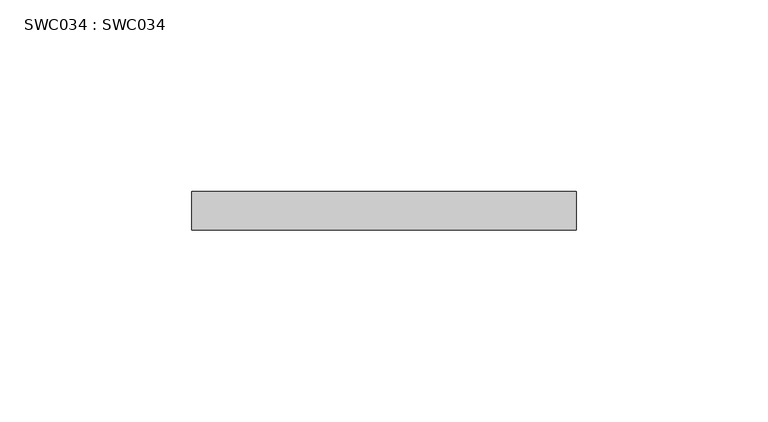
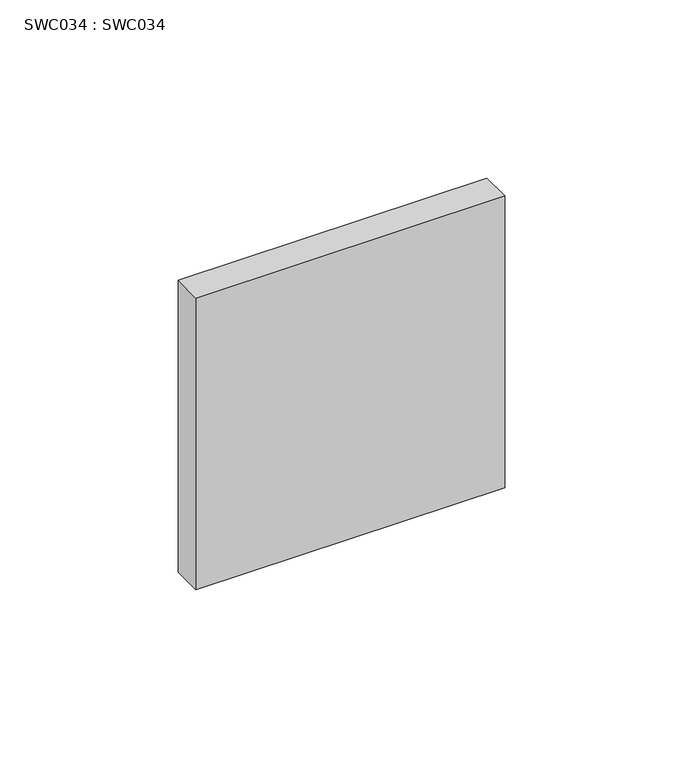
"""IFC4 building model written with IfcOpenShell, lengths in millimetres: proxy geometry, SWC034 : SWC034."""

from ifc_helpers import new_model, si_unit, frame, origin, place, context, project, spatial, polyline, outline, extrude, source, transform, mapped, element, save


def swc034_swc034_83118c9f(model_context):
    return source(origin(), model_context, "Body", "SweptSolid", [
        extrude(outline(polyline([(50.0, 0.0), (50.0, -10.0), (-50.0000004, -10.0), (-50.0000004, 0.0), (50.0, 0.0)])), frame((0.0, 0.0, -50.0000004), z_axis=(0.0, 0.0, 1.0), x_axis=(1.0, 0.0, 0.0)), (0.0, 0.0, 1.0), 100.0000008),
    ])


if __name__ == "__main__":
    model = new_model("IFC4")
    model_context = context("Model", 3, world=origin())
    ifc_project = project(units=[si_unit("LENGTHUNIT", "METRE", prefix="MILLI")], contexts=[model_context])
    site = spatial("IfcSite", under=ifc_project)
    building = spatial("IfcBuilding", under=site)
    placement = place(None, origin())
    swc034_swc034_shape = swc034_swc034_83118c9f(model_context)
    element("IfcBuildingElementProxy", 1, Name="SWC034 : SWC034", ObjectType="SWC034 : SWC034", at=placement, inside=building, context=model_context, shape_type="MappedRepresentation", body=[
        mapped(swc034_swc034_shape, transform((0.0, 0.0, 0.0), x_axis=(1.0, 0.0, 0.0), y_axis=(0.0, 1.0, 0.0), z_axis=(0.0, 0.0, 1.0))),
    ])
    save(model, "model.ifc")
